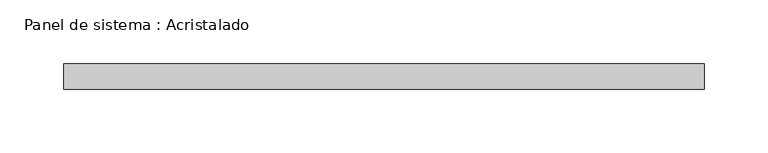
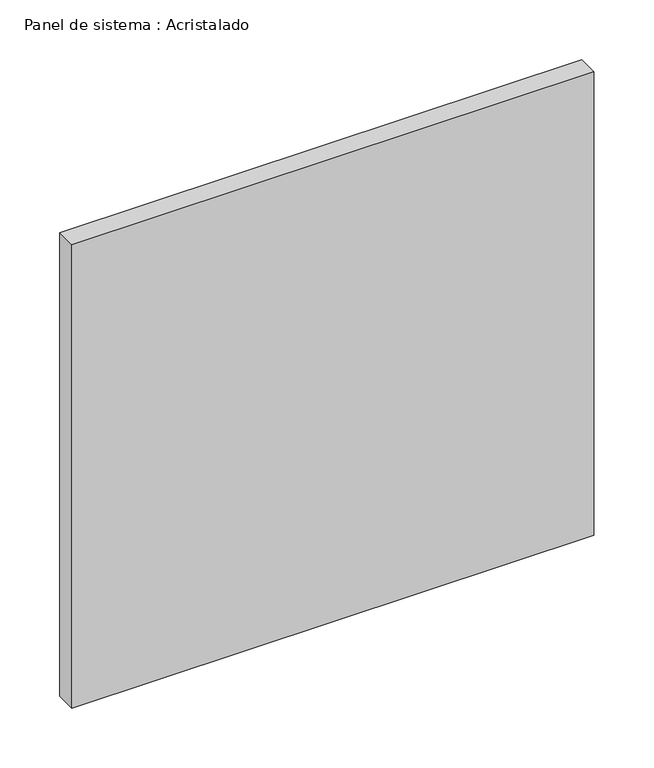
"""IFC4 building model written with IfcOpenShell, lengths in millimetres: plate geometry, Panel de sistema : Acristalado."""

from ifc_helpers import new_model, si_unit, origin, origin_with_axes, place, context, project, spatial, polyline, outline, extrude, source, transform, mapped, element, save


def panel_de_sistema_acristalado_a09c4ffb(model_context):
    return source(origin(), model_context, "Body", "SweptSolid", [
        extrude(outline(polyline([(251.5, -10.0), (-251.5, -10.0), (-251.5, 10.0), (251.5, 10.0), (251.5, -10.0)])), origin_with_axes(), (0.0, 0.0, 1.0), 472.0),
    ])


if __name__ == "__main__":
    model = new_model("IFC4")
    model_context = context("Model", 3, world=origin())
    ifc_project = project(units=[si_unit("LENGTHUNIT", "METRE", prefix="MILLI")], contexts=[model_context])
    site = spatial("IfcSite", under=ifc_project)
    building = spatial("IfcBuilding", under=site)
    placement = place(None, origin())
    panel_de_sistema_acristalado_shape = panel_de_sistema_acristalado_a09c4ffb(model_context)
    element("IfcPlate", 1, ObjectType="Panel de sistema : Acristalado", at=placement, inside=building, context=model_context, shape_type="MappedRepresentation", body=[
        mapped(panel_de_sistema_acristalado_shape, transform((0.0, 0.0, 0.0), x_axis=(1.0, 0.0, 0.0), y_axis=(0.0, 1.0, 0.0), z_axis=(0.0, 0.0, 1.0))),
    ])
    save(model, "model.ifc")
